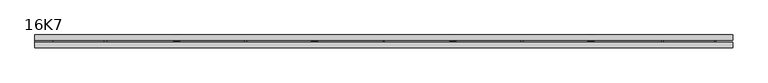
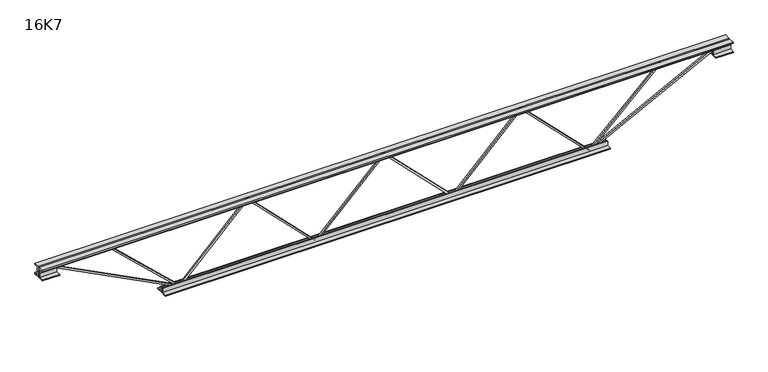
"""IFC4 building model written with IfcOpenShell, lengths in millimetres: beam geometry, 16K7."""

from ifc_helpers import new_model, si_unit, frame, origin, place, context, project, spatial, polyline, outline, extrude, source, transform, mapped, element, save


def beam_16k7_07d916b5(model_context):
    return source(origin(), model_context, "Body", "SweptSolid", [
        extrude(outline(polyline([(-191.9, -396.0), (-201.4, -396.0), (-201.4, -390.8445016), (191.9, -1.1945016), (191.9, 1.1945016), (-201.4, 390.8445016), (-201.4, 396.0), (-191.9, 396.0), (-191.9, 394.8054984), (201.4, 5.1554984), (201.4, -5.1554984), (-191.9, -394.8054984), (-191.9, -396.0)])), frame((0.0, -4.75, 0.0), z_axis=(0.0, 1.0, 0.0), x_axis=(0.0, 0.0, 1.0)), (0.0, 0.0, 1.0), 9.5),
        extrude(outline(polyline([(-191.9, 396.0), (-201.4, 396.0), (-201.4, 401.1554984), (191.9, 790.8054984), (191.9, 793.1945016), (-201.4, 1182.8445016), (-201.4, 1188.0), (-191.9, 1188.0), (-191.9, 1186.8054984), (201.4, 797.1554984), (201.4, 786.8445016), (-191.9, 397.1945016), (-191.9, 396.0)])), frame((0.0, -4.75, 0.0), z_axis=(0.0, 1.0, 0.0), x_axis=(0.0, 0.0, 1.0)), (0.0, 0.0, 1.0), 9.5),
        extrude(outline(polyline([(-191.9, -1188.0), (-201.4, -1188.0), (-201.4, -1182.8445016), (191.9, -793.1945016), (191.9, -790.8054984), (-201.4, -401.1554984), (-201.4, -396.0), (-191.9, -396.0), (-191.9, -397.1945016), (201.4, -786.8445016), (201.4, -797.1554984), (-191.9, -1186.8054984), (-191.9, -1188.0)])), frame((0.0, -4.75, 0.0), z_axis=(0.0, 1.0, 0.0), x_axis=(0.0, 0.0, 1.0)), (0.0, 0.0, 1.0), 9.5),
        extrude(outline(polyline([(4.75, 203.0), (36.75, 203.0), (36.75, 196.5), (11.25, 196.5), (11.25, 171.0), (4.75, 171.0), (4.75, 203.0)])), frame((-2000.0, 0.0, 0.0), z_axis=(1.0, 0.0, 0.0), x_axis=(0.0, 1.0, 0.0)), (0.0, 0.0, 1.0), 4000.0),
        extrude(outline(polyline([(-4.75, 203.0), (-4.75, 171.0), (-11.25, 171.0), (-11.25, 196.5), (-36.75, 196.5), (-36.75, 203.0), (-4.75, 203.0)])), frame((-2000.0, 0.0, 0.0), z_axis=(1.0, 0.0, 0.0), x_axis=(0.0, 1.0, 0.0)), (0.0, 0.0, 1.0), 4000.0),
        extrude(outline(polyline([(-4.75, 139.5), (-36.75, 139.5), (-36.75, 146.0), (-11.25, 146.0), (-11.25, 171.0), (-4.75, 171.0), (-4.75, 139.5)])), frame((-2000.0, 0.0, 0.0), z_axis=(1.0, 0.0, 0.0), x_axis=(0.0, 1.0, 0.0)), (0.0, 0.0, 1.0), 100.0),
        extrude(outline(polyline([(36.75, 139.5), (4.75, 139.5), (4.75, 171.0), (11.25, 171.0), (11.25, 146.0), (36.75, 146.0), (36.75, 139.5)])), frame((-2000.0, 0.0, 0.0), z_axis=(1.0, 0.0, 0.0), x_axis=(0.0, 1.0, 0.0)), (0.0, 0.0, 1.0), 100.0),
        extrude(outline(polyline([(4.75, 139.5), (4.75, 171.0), (11.25, 171.0), (11.25, 146.0), (36.75, 146.0), (36.75, 139.5), (4.75, 139.5)])), frame((1900.0, 0.0, 0.0), z_axis=(1.0, 0.0, 0.0), x_axis=(0.0, 1.0, 0.0)), (0.0, 0.0, 1.0), 100.0),
        extrude(outline(polyline([(-4.75, 139.5), (-36.75, 139.5), (-36.75, 146.0), (-11.25, 146.0), (-11.25, 171.0), (-4.75, 171.0), (-4.75, 139.5)])), frame((1900.0, 0.0, 0.0), z_axis=(1.0, 0.0, 0.0), x_axis=(0.0, 1.0, 0.0)), (0.0, 0.0, 1.0), 100.0),
        extrude(outline(polyline([(4.75, -203.0), (4.75, -171.0), (11.25, -171.0), (11.25, -196.5), (36.75, -196.5), (36.75, -203.0), (4.75, -203.0)])), frame((-1288.0, 0.0, 0.0), z_axis=(1.0, 0.0, 0.0), x_axis=(0.0, 1.0, 0.0)), (0.0, 0.0, 1.0), 2576.0),
        extrude(outline(polyline([(-4.75, -203.0), (-36.75, -203.0), (-36.75, -196.5), (-11.25, -196.5), (-11.25, -171.0), (-4.75, -171.0), (-4.75, -203.0)])), frame((-1288.0, 0.0, 0.0), z_axis=(1.0, 0.0, 0.0), x_axis=(0.0, 1.0, 0.0)), (0.0, 0.0, 1.0), 2576.0),
        extrude(outline(polyline([(-200.8705467, -1190.1793315), (-192.4294533, -1185.8206685), (175.75, -1898.8460208), (175.75, -2000.0), (166.25, -2000.0), (166.25, -1901.1539792), (-200.8705467, -1190.1793315)])), frame((0.0, -4.75, 0.0), z_axis=(0.0, 1.0, 0.0), x_axis=(0.0, 0.0, 1.0)), (0.0, 0.0, 1.0), 9.5),
        extrude(outline(polyline([(188.7, -1603.9571429), (179.2, -1603.9571429), (179.2, -1593.1447256), (-200.1043983, -1191.2603117), (-193.1956017, -1184.7396883), (188.7, -1589.3695601), (188.7, -1603.9571429)])), frame((0.0, -4.75, 0.0), z_axis=(0.0, 1.0, 0.0), x_axis=(0.0, 0.0, 1.0)), (0.0, 0.0, 1.0), 9.5),
        extrude(outline(polyline([(0.0, -9.5), (0.0, 0.0), (801.3179909, 0.0), (801.3179909, -9.5), (0.0, -9.5)])), frame((1902.1793315, -4.75, 166.7794533), z_axis=(-0.45880662132449573, 0.0, 0.8885361468329811), x_axis=(-0.8885361468329811, 0.0, -0.45880662132449573)), (0.0, 0.0, 1.0), 9.5),
        extrude(outline(polyline([(0.0, -9.5), (0.0, 0.0), (568.5128572, 0.0), (568.5128572, -9.5), (0.0, -9.5)])), frame((1601.8003592, -4.75, 193.2200989), z_axis=(-0.6918049346380325, 0.0, 0.7220844357902113), x_axis=(-0.7220844357902113, 0.0, -0.6918049346380325)), (0.0, 0.0, 1.0), 9.5),
    ])


if __name__ == "__main__":
    model = new_model("IFC4")
    model_context = context("Model", 3, world=origin())
    ifc_project = project(units=[si_unit("LENGTHUNIT", "METRE", prefix="MILLI")], contexts=[model_context])
    site = spatial("IfcSite", under=ifc_project)
    building = spatial("IfcBuilding", under=site)
    placement = place(None, origin())
    beam_16k7_shape = beam_16k7_07d916b5(model_context)
    element("IfcBeam", 1, ObjectType="16K7", at=placement, inside=building, context=model_context, shape_type="MappedRepresentation", body=[
        mapped(beam_16k7_shape, transform((0.0, 0.0, 0.0), x_axis=(1.0, 0.0, 0.0), y_axis=(0.0, 1.0, 0.0), z_axis=(0.0, 0.0, 1.0))),
    ])
    save(model, "model.ifc")
